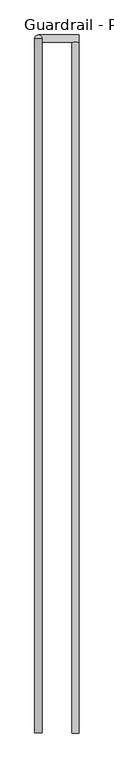
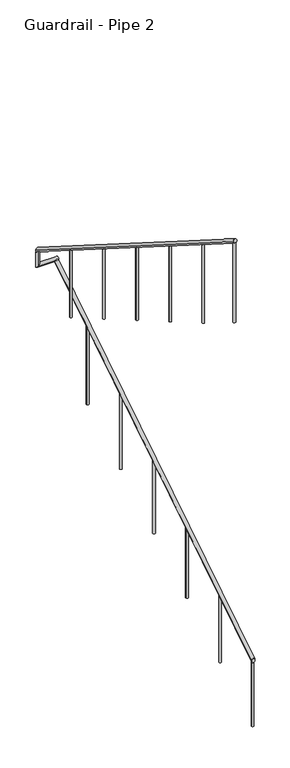
"""IFC4 building model written with IfcOpenShell, lengths in millimetres: railing geometry, Guardrail - Pipe 2."""

from ifc_helpers import new_model, si_unit, frame, origin, place, context, project, spatial, circle_curve, ellipse_curve, source, transform, mapped, element, save
from ifc_brep_helpers import plane_surface, cylinder_surface, advanced_brep


def guardrail_pipe_2_e3fb63a2(model_context):
    return source(origin(), model_context, "Body", "AdvancedBrep", [
        advanced_brep(
        [(307192.9957983, -254508.8080223, 916.3134838), (307154.8957983, -254508.8080223, 916.3134838), (307192.9957983, -250895.6580223, 3203.4252683), (307154.8957983, -250895.6580223, 3203.4252683)],
        [
            (0, 1, ellipse_curve(frame((307173.9457983, -254508.8080223, 916.3134838), z_axis=(0.0, -1.0, 0.0), x_axis=(0.0, 0.0, -1.0)), 22.5457755, 19.05)),
            (1, 0, ellipse_curve(frame((307173.9457983, -254508.8080223, 916.3134838), z_axis=(0.0, -1.0, 0.0), x_axis=(0.0, 0.0, -1.0)), 22.5457755, 19.05)),
            (2, 3, ellipse_curve(frame((307173.9457983, -250895.6580223, 3203.4252683), z_axis=(0.0, 1.0, 0.0), x_axis=(0.0, 0.0, -1.0)), 22.5457755, 19.05)),
            (3, 2, ellipse_curve(frame((307173.9457983, -250895.6580223, 3203.4252683), z_axis=(0.0, 1.0, 0.0), x_axis=(0.0, 0.0, -1.0)), 22.5457755, 19.05)),
            (0, 2),
            (3, 1),
        ],
        [
            plane_surface(frame((307173.9457983, -254508.8080223, 938.8592593), z_axis=(0.0, -1.0, 0.0), x_axis=(0.0, 0.0, 1.0))),
            plane_surface(frame((307173.9457983, -250895.6580223, 3225.9710438), z_axis=(0.0, 1.0, 0.0), x_axis=(0.0, 0.0, 1.0))),
            cylinder_surface(frame((307173.9457983, -254498.6191486, 922.7630065), z_axis=(0.0, -0.8449476488296452, -0.5348490167675869), x_axis=(-1.0, 0.0, 0.0)), 19.05),
        ],
        [
            (0, [[1, 2]]),
            (1, [[3, 4]]),
            (2, [[-1, 5, -4, 6]]),
            (2, [[-2, -6, -3, -5]]),
        ],
    ),
        advanced_brep(
        [(307192.9957983, -250857.5580223, 3218.9796296), (307192.9957983, -250895.6580223, 3218.9796296), (306979.4254676, -250857.5580223, 3218.9796296), (306979.4254676, -250895.6580223, 3218.9796296), (306979.4254676, -250857.5580223, 3357.738752), (306979.4254676, -250895.6580223, 3381.8559237)],
        [
            (0, 1, circle_curve(frame((307192.9957983, -250876.6080223, 3218.9796296), z_axis=(1.0, 0.0, 0.0), x_axis=(0.0, -1.0, 0.0)), 19.05)),
            (1, 0, circle_curve(frame((307192.9957983, -250876.6080223, 3218.9796296), z_axis=(1.0, 0.0, 0.0), x_axis=(0.0, -1.0, 0.0)), 19.05)),
            (0, 2),
            (2, 3, ellipse_curve(frame((306979.4254676, -250876.6080223, 3218.9796296), z_axis=(0.7071067811865475, 0.0, -0.7071067811865475), x_axis=(0.7071067811865476, 0.0, 0.7071067811865474)), 26.9407684, 19.05)),
            (3, 1),
            (3, 2, ellipse_curve(frame((306979.4254676, -250876.6080223, 3218.9796296), z_axis=(0.7071067811865475, 0.0, -0.7071067811865475), x_axis=(0.7071067811865476, 0.0, 0.7071067811865474)), 26.9407684, 19.05)),
            (4, 5, ellipse_curve(frame((306979.4254676, -250876.6080223, 3369.7973379), z_axis=(0.0, 0.5348490167675869, 0.8449476488296452), x_axis=(0.0, 0.8449476488296452, -0.5348490167675869)), 22.5457755, 19.05)),
            (5, 4, ellipse_curve(frame((306979.4254676, -250876.6080223, 3369.7973379), z_axis=(0.0, 0.5348490167675869, 0.8449476488296452), x_axis=(0.0, 0.8449476488296452, -0.5348490167675869)), 22.5457755, 19.05)),
            (2, 4),
            (5, 3),
        ],
        [
            plane_surface(frame((307192.9957983, -250876.6080223, 3238.0296296), z_axis=(1.0, 0.0, 0.0), x_axis=(0.0, -1.0, 0.0))),
            cylinder_surface(frame((307192.9957983, -250876.6080223, 3218.9796296), z_axis=(1.0, 0.0, 0.0), x_axis=(0.0, -1.0, 0.0)), 19.05),
            plane_surface(frame((306998.4754676, -250876.6080223, 3369.7973379), z_axis=(0.0, 0.5348490167675869, 0.8449476488296452), x_axis=(1.0, 0.0, 0.0))),
            cylinder_surface(frame((306979.4254676, -250876.6080223, 3238.0296296), z_axis=(0.0, 0.0, -1.0), x_axis=(0.0, -1.0, 0.0)), 19.05),
        ],
        [
            (0, [[1, 2]]),
            (1, [[-1, 3, 4, 5]]),
            (1, [[-2, -5, 6, -3]]),
            (2, [[7, 8]]),
            (3, [[-4, 9, -8, 10]]),
            (3, [[-6, -10, -7, -9]]),
        ],
    ),
        advanced_brep(
        [(306960.3754676, -250876.6080223, 3392.3431134), (306998.4754676, -250876.6080223, 3392.3431134), (306960.3754676, -254508.8080223, 5691.5134838), (306998.4754676, -254508.8080223, 5691.5134838)],
        [
            (0, 1, ellipse_curve(frame((306979.4254676, -250876.6080223, 3392.3431134), z_axis=(0.0, 1.0, 0.0), x_axis=(0.0, 0.0, -1.0)), 22.5457755, 19.05)),
            (1, 0, ellipse_curve(frame((306979.4254676, -250876.6080223, 3392.3431134), z_axis=(0.0, 1.0, 0.0), x_axis=(0.0, 0.0, -1.0)), 22.5457755, 19.05)),
            (2, 3, ellipse_curve(frame((306979.4254676, -254508.8080223, 5691.5134838), z_axis=(0.0, -1.0, 0.0), x_axis=(0.0, 0.0, -1.0)), 22.5457755, 19.05)),
            (3, 2, ellipse_curve(frame((306979.4254676, -254508.8080223, 5691.5134838), z_axis=(0.0, -1.0, 0.0), x_axis=(0.0, 0.0, -1.0)), 22.5457755, 19.05)),
            (0, 2),
            (3, 1),
        ],
        [
            plane_surface(frame((306979.4254676, -250876.6080223, 3414.8888889), z_axis=(0.0, 1.0, 0.0), x_axis=(0.0, 0.0, -1.0))),
            plane_surface(frame((306979.4254676, -254508.8080223, 5714.0592593), z_axis=(0.0, -1.0, 0.0), x_axis=(0.0, 0.0, -1.0))),
            cylinder_surface(frame((306979.4254676, -250886.7968961, 3398.7926362), z_axis=(0.0, 0.8449476488296452, -0.5348490167675869), x_axis=(1.0, 0.0, 0.0)), 19.05),
        ],
        [
            (0, [[1, 2]]),
            (1, [[3, 4]]),
            (2, [[-1, 5, -4, 6]]),
            (2, [[-2, -6, -3, -5]]),
        ],
    ),
        advanced_brep(
        [(306992.1254676, -253924.6080223, 5299.1710753), (306966.7254676, -253924.6080223, 5299.1710753), (306966.7254676, -253924.6080223, 4421.4814815), (306992.1254676, -253924.6080223, 4421.4814815)],
        [
            (0, 1, ellipse_curve(frame((306979.4254676, -253924.6080223, 5299.1710753), z_axis=(0.0, -0.5348490167675843, -0.8449476488296469), x_axis=(0.0, -0.8449476488296469, 0.5348490167675843)), 15.030517, 12.7)),
            (1, 2),
            (2, 3, circle_curve(frame((306979.4254676, -253924.6080223, 4421.4814815), z_axis=(0.0, 0.0, 1.0), x_axis=(-1.0, 0.0, 0.0)), 12.7)),
            (3, 0),
            (3, 2, circle_curve(frame((306979.4254676, -253924.6080223, 4421.4814815), z_axis=(0.0, 0.0, 1.0), x_axis=(-1.0, 0.0, 0.0)), 12.7)),
            (1, 0, ellipse_curve(frame((306979.4254676, -253924.6080223, 5299.1710753), z_axis=(0.0, -0.5348490167675843, -0.8449476488296469), x_axis=(0.0, -0.8449476488296469, 0.5348490167675843)), 15.030517, 12.7)),
        ],
        [
            cylinder_surface(frame((306979.4254676, -253924.6080223, 4192.8814815), z_axis=(0.0, 0.0, 1.0), x_axis=(-1.0, 0.0, 0.0)), 12.7),
            plane_surface(frame((306954.0254676, -253950.0080223, 5315.2491897), z_axis=(0.0, 0.5348490167675843, 0.8449476488296469), x_axis=(1.0, 0.0, 0.0))),
            plane_surface(frame((306954.0254676, -253899.2080223, 4421.4814815), z_axis=(0.0, 0.0, -1.0), x_axis=(1.0, 0.0, 0.0))),
        ],
        [
            (0, [[1, 2, 3, 4]]),
            (0, [[5, -2, 6, -4]]),
            (1, [[-6, -1]]),
            (2, [[-5, -3]]),
        ],
    ),
        advanced_brep(
        [(306992.1254676, -253315.0080223, 4913.2963278), (306966.7254676, -253315.0080223, 4913.2963278), (306966.7254676, -253315.0080223, 4067.762963), (306992.1254676, -253315.0080223, 4067.762963)],
        [
            (0, 1, ellipse_curve(frame((306979.4254676, -253315.0080223, 4913.2963278), z_axis=(0.0, -0.534849016767586, -0.8449476488296459), x_axis=(0.0, -0.8449476488296459, 0.5348490167675857)), 15.030517, 12.7)),
            (1, 2),
            (2, 3, circle_curve(frame((306979.4254676, -253315.0080223, 4067.762963), z_axis=(0.0, 0.0, 1.0), x_axis=(-1.0, 0.0, 0.0)), 12.7)),
            (3, 0),
            (3, 2, circle_curve(frame((306979.4254676, -253315.0080223, 4067.762963), z_axis=(0.0, 0.0, 1.0), x_axis=(-1.0, 0.0, 0.0)), 12.7)),
            (1, 0, ellipse_curve(frame((306979.4254676, -253315.0080223, 4913.2963278), z_axis=(0.0, -0.534849016767586, -0.8449476488296459), x_axis=(0.0, -0.8449476488296459, 0.5348490167675857)), 15.030517, 12.7)),
        ],
        [
            cylinder_surface(frame((306979.4254676, -253315.0080223, 3839.162963), z_axis=(0.0, 0.0, 1.0), x_axis=(-1.0, 0.0, 0.0)), 12.7),
            plane_surface(frame((306954.0254676, -253340.4080223, 4929.3744423), z_axis=(0.0, 0.534849016767586, 0.8449476488296459), x_axis=(1.0, 0.0, 0.0))),
            plane_surface(frame((306954.0254676, -253289.6080223, 4067.762963), z_axis=(0.0, 0.0, -1.0), x_axis=(1.0, 0.0, 0.0))),
        ],
        [
            (0, [[1, 2, 3, 4]]),
            (0, [[5, -2, 6, -4]]),
            (1, [[-6, -1]]),
            (2, [[-5, -3]]),
        ],
    ),
        advanced_brep(
        [(306992.1254676, -252705.4080223, 4527.4215803), (306966.7254676, -252705.4080223, 4527.4215803), (306966.7254676, -252705.4080223, 3714.0444444), (306992.1254676, -252705.4080223, 3714.0444444)],
        [
            (0, 1, ellipse_curve(frame((306979.4254676, -252705.4080223, 4527.4215803), z_axis=(0.0, -0.5348490167675828, -0.844947648829648), x_axis=(0.0, -0.8449476488296481, 0.5348490167675825)), 15.030517, 12.7)),
            (1, 2),
            (2, 3, circle_curve(frame((306979.4254676, -252705.4080223, 3714.0444444), z_axis=(0.0, 0.0, 1.0), x_axis=(-1.0, 0.0, 0.0)), 12.7)),
            (3, 0),
            (3, 2, circle_curve(frame((306979.4254676, -252705.4080223, 3714.0444444), z_axis=(0.0, 0.0, 1.0), x_axis=(-1.0, 0.0, 0.0)), 12.7)),
            (1, 0, ellipse_curve(frame((306979.4254676, -252705.4080223, 4527.4215803), z_axis=(0.0, -0.5348490167675828, -0.844947648829648), x_axis=(0.0, -0.8449476488296481, 0.5348490167675825)), 15.030517, 12.7)),
        ],
        [
            cylinder_surface(frame((306979.4254676, -252705.4080223, 3485.4444444), z_axis=(0.0, 0.0, 1.0), x_axis=(-1.0, 0.0, 0.0)), 12.7),
            plane_surface(frame((306954.0254676, -252730.8080223, 4543.4996948), z_axis=(0.0, 0.5348490167675828, 0.844947648829648), x_axis=(1.0, 0.0, 0.0))),
            plane_surface(frame((306954.0254676, -252680.0080223, 3714.0444444), z_axis=(0.0, 0.0, -1.0), x_axis=(1.0, 0.0, 0.0))),
        ],
        [
            (0, [[1, 2, 3, 4]]),
            (0, [[5, -2, 6, -4]]),
            (1, [[-6, -1]]),
            (2, [[-5, -3]]),
        ],
    ),
        advanced_brep(
        [(306992.1254676, -252095.8080223, 4141.5468328), (306966.7254676, -252095.8080223, 4141.5468328), (306966.7254676, -252095.8080223, 3360.3259259), (306992.1254676, -252095.8080223, 3360.3259259)],
        [
            (0, 1, ellipse_curve(frame((306979.4254676, -252095.8080223, 4141.5468328), z_axis=(0.0, -0.5348490167675843, -0.8449476488296469), x_axis=(0.0, -0.8449476488296469, 0.5348490167675843)), 15.030517, 12.7)),
            (1, 2),
            (2, 3, circle_curve(frame((306979.4254676, -252095.8080223, 3360.3259259), z_axis=(0.0, 0.0, 1.0), x_axis=(-1.0, 0.0, 0.0)), 12.7)),
            (3, 0),
            (3, 2, circle_curve(frame((306979.4254676, -252095.8080223, 3360.3259259), z_axis=(0.0, 0.0, 1.0), x_axis=(-1.0, 0.0, 0.0)), 12.7)),
            (1, 0, ellipse_curve(frame((306979.4254676, -252095.8080223, 4141.5468328), z_axis=(0.0, -0.5348490167675843, -0.8449476488296469), x_axis=(0.0, -0.8449476488296469, 0.5348490167675843)), 15.030517, 12.7)),
        ],
        [
            cylinder_surface(frame((306979.4254676, -252095.8080223, 3131.7259259), z_axis=(0.0, 0.0, 1.0), x_axis=(-1.0, 0.0, 0.0)), 12.7),
            plane_surface(frame((306954.0254676, -252121.2080223, 4157.6249473), z_axis=(0.0, 0.5348490167675843, 0.8449476488296469), x_axis=(1.0, 0.0, 0.0))),
            plane_surface(frame((306954.0254676, -252070.4080223, 3360.3259259), z_axis=(0.0, 0.0, -1.0), x_axis=(1.0, 0.0, 0.0))),
        ],
        [
            (0, [[1, 2, 3, 4]]),
            (0, [[5, -2, 6, -4]]),
            (1, [[-6, -1]]),
            (2, [[-5, -3]]),
        ],
    ),
        advanced_brep(
        [(306992.1254676, -251486.2080223, 3755.6720854), (306966.7254676, -251486.2080223, 3755.6720854), (306966.7254676, -251486.2080223, 3006.6074074), (306992.1254676, -251486.2080223, 3006.6074074)],
        [
            (0, 1, ellipse_curve(frame((306979.4254676, -251486.2080223, 3755.6720854), z_axis=(0.0, -0.534849016767586, -0.8449476488296459), x_axis=(0.0, -0.8449476488296459, 0.5348490167675857)), 15.030517, 12.7)),
            (1, 2),
            (2, 3, circle_curve(frame((306979.4254676, -251486.2080223, 3006.6074074), z_axis=(0.0, 0.0, 1.0), x_axis=(-1.0, 0.0, 0.0)), 12.7)),
            (3, 0),
            (3, 2, circle_curve(frame((306979.4254676, -251486.2080223, 3006.6074074), z_axis=(0.0, 0.0, 1.0), x_axis=(-1.0, 0.0, 0.0)), 12.7)),
            (1, 0, ellipse_curve(frame((306979.4254676, -251486.2080223, 3755.6720854), z_axis=(0.0, -0.534849016767586, -0.8449476488296459), x_axis=(0.0, -0.8449476488296459, 0.5348490167675857)), 15.030517, 12.7)),
        ],
        [
            cylinder_surface(frame((306979.4254676, -251486.2080223, 2778.0074074), z_axis=(0.0, 0.0, 1.0), x_axis=(-1.0, 0.0, 0.0)), 12.7),
            plane_surface(frame((306954.0254676, -251511.6080223, 3771.7501998), z_axis=(0.0, 0.534849016767586, 0.8449476488296459), x_axis=(1.0, 0.0, 0.0))),
            plane_surface(frame((306954.0254676, -251460.8080223, 3006.6074074), z_axis=(0.0, 0.0, -1.0), x_axis=(1.0, 0.0, 0.0))),
        ],
        [
            (0, [[1, 2, 3, 4]]),
            (0, [[5, -2, 6, -4]]),
            (1, [[-6, -1]]),
            (2, [[-5, -3]]),
        ],
    ),
        advanced_brep(
        [(307161.2457983, -251460.8080223, 2823.1414456), (307186.6457983, -251460.8080223, 2823.1414456), (307186.6457983, -251460.8080223, 1945.4518519), (307161.2457983, -251460.8080223, 1945.4518519)],
        [
            (0, 1, ellipse_curve(frame((307173.9457983, -251460.8080223, 2823.1414456), z_axis=(0.0, 0.5348490167675843, -0.8449476488296469), x_axis=(0.0, 0.8449476488296469, 0.5348490167675843)), 15.030517, 12.7)),
            (1, 2),
            (2, 3, circle_curve(frame((307173.9457983, -251460.8080223, 1945.4518519), z_axis=(0.0, 0.0, 1.0), x_axis=(1.0, 0.0, 0.0)), 12.7)),
            (3, 0),
            (3, 2, circle_curve(frame((307173.9457983, -251460.8080223, 1945.4518519), z_axis=(0.0, 0.0, 1.0), x_axis=(1.0, 0.0, 0.0)), 12.7)),
            (1, 0, ellipse_curve(frame((307173.9457983, -251460.8080223, 2823.1414456), z_axis=(0.0, 0.5348490167675843, -0.8449476488296469), x_axis=(0.0, 0.8449476488296469, 0.5348490167675843)), 15.030517, 12.7)),
        ],
        [
            cylinder_surface(frame((307173.9457983, -251460.8080223, 1716.8518519), z_axis=(0.0, 0.0, 1.0), x_axis=(1.0, 0.0, 0.0)), 12.7),
            plane_surface(frame((307199.3457983, -251435.4080223, 2839.2195601), z_axis=(0.0, -0.5348490167675843, 0.8449476488296469), x_axis=(-1.0, 0.0, 0.0))),
            plane_surface(frame((307199.3457983, -251486.2080223, 1945.4518519), z_axis=(0.0, 0.0, -1.0), x_axis=(-1.0, 0.0, 0.0))),
        ],
        [
            (0, [[1, 2, 3, 4]]),
            (0, [[5, -2, 6, -4]]),
            (1, [[-6, -1]]),
            (2, [[-5, -3]]),
        ],
    ),
        advanced_brep(
        [(307161.2457983, -252070.4080223, 2437.2666982), (307186.6457983, -252070.4080223, 2437.2666982), (307186.6457983, -252070.4080223, 1591.7333333), (307161.2457983, -252070.4080223, 1591.7333333)],
        [
            (0, 1, ellipse_curve(frame((307173.9457983, -252070.4080223, 2437.2666982), z_axis=(0.0, 0.534849016767586, -0.8449476488296459), x_axis=(0.0, 0.8449476488296459, 0.5348490167675857)), 15.030517, 12.7)),
            (1, 2),
            (2, 3, circle_curve(frame((307173.9457983, -252070.4080223, 1591.7333333), z_axis=(0.0, 0.0, 1.0), x_axis=(1.0, 0.0, 0.0)), 12.7)),
            (3, 0),
            (3, 2, circle_curve(frame((307173.9457983, -252070.4080223, 1591.7333333), z_axis=(0.0, 0.0, 1.0), x_axis=(1.0, 0.0, 0.0)), 12.7)),
            (1, 0, ellipse_curve(frame((307173.9457983, -252070.4080223, 2437.2666982), z_axis=(0.0, 0.534849016767586, -0.8449476488296459), x_axis=(0.0, 0.8449476488296459, 0.5348490167675857)), 15.030517, 12.7)),
        ],
        [
            cylinder_surface(frame((307173.9457983, -252070.4080223, 1363.1333333), z_axis=(0.0, 0.0, 1.0), x_axis=(1.0, 0.0, 0.0)), 12.7),
            plane_surface(frame((307199.3457983, -252045.0080223, 2453.3448126), z_axis=(0.0, -0.534849016767586, 0.8449476488296459), x_axis=(-1.0, 0.0, 0.0))),
            plane_surface(frame((307199.3457983, -252095.8080223, 1591.7333333), z_axis=(0.0, 0.0, -1.0), x_axis=(-1.0, 0.0, 0.0))),
        ],
        [
            (0, [[1, 2, 3, 4]]),
            (0, [[5, -2, 6, -4]]),
            (1, [[-6, -1]]),
            (2, [[-5, -3]]),
        ],
    ),
        advanced_brep(
        [(307161.2457983, -252680.0080223, 2051.3919507), (307186.6457983, -252680.0080223, 2051.3919507), (307186.6457983, -252680.0080223, 1238.0148148), (307161.2457983, -252680.0080223, 1238.0148148)],
        [
            (0, 1, ellipse_curve(frame((307173.9457983, -252680.0080223, 2051.3919507), z_axis=(0.0, 0.5348490167675828, -0.844947648829648), x_axis=(0.0, 0.8449476488296481, 0.5348490167675825)), 15.030517, 12.7)),
            (1, 2),
            (2, 3, circle_curve(frame((307173.9457983, -252680.0080223, 1238.0148148), z_axis=(0.0, 0.0, 1.0), x_axis=(1.0, 0.0, 0.0)), 12.7)),
            (3, 0),
            (3, 2, circle_curve(frame((307173.9457983, -252680.0080223, 1238.0148148), z_axis=(0.0, 0.0, 1.0), x_axis=(1.0, 0.0, 0.0)), 12.7)),
            (1, 0, ellipse_curve(frame((307173.9457983, -252680.0080223, 2051.3919507), z_axis=(0.0, 0.5348490167675828, -0.844947648829648), x_axis=(0.0, 0.8449476488296481, 0.5348490167675825)), 15.030517, 12.7)),
        ],
        [
            cylinder_surface(frame((307173.9457983, -252680.0080223, 1009.4148148), z_axis=(0.0, 0.0, 1.0), x_axis=(1.0, 0.0, 0.0)), 12.7),
            plane_surface(frame((307199.3457983, -252654.6080223, 2067.4700652), z_axis=(0.0, -0.5348490167675828, 0.844947648829648), x_axis=(-1.0, 0.0, 0.0))),
            plane_surface(frame((307199.3457983, -252705.4080223, 1238.0148148), z_axis=(0.0, 0.0, -1.0), x_axis=(-1.0, 0.0, 0.0))),
        ],
        [
            (0, [[1, 2, 3, 4]]),
            (0, [[5, -2, 6, -4]]),
            (1, [[-6, -1]]),
            (2, [[-5, -3]]),
        ],
    ),
        advanced_brep(
        [(307161.2457983, -253289.6080223, 1665.5172032), (307186.6457983, -253289.6080223, 1665.5172032), (307186.6457983, -253289.6080223, 884.2962963), (307161.2457983, -253289.6080223, 884.2962963)],
        [
            (0, 1, ellipse_curve(frame((307173.9457983, -253289.6080223, 1665.5172032), z_axis=(0.0, 0.5348490167675843, -0.8449476488296469), x_axis=(0.0, 0.8449476488296469, 0.5348490167675843)), 15.030517, 12.7)),
            (1, 2),
            (2, 3, circle_curve(frame((307173.9457983, -253289.6080223, 884.2962963), z_axis=(0.0, 0.0, 1.0), x_axis=(1.0, 0.0, 0.0)), 12.7)),
            (3, 0),
            (3, 2, circle_curve(frame((307173.9457983, -253289.6080223, 884.2962963), z_axis=(0.0, 0.0, 1.0), x_axis=(1.0, 0.0, 0.0)), 12.7)),
            (1, 0, ellipse_curve(frame((307173.9457983, -253289.6080223, 1665.5172032), z_axis=(0.0, 0.5348490167675843, -0.8449476488296469), x_axis=(0.0, 0.8449476488296469, 0.5348490167675843)), 15.030517, 12.7)),
        ],
        [
            cylinder_surface(frame((307173.9457983, -253289.6080223, 655.6962963), z_axis=(0.0, 0.0, 1.0), x_axis=(1.0, 0.0, 0.0)), 12.7),
            plane_surface(frame((307199.3457983, -253264.2080223, 1681.5953177), z_axis=(0.0, -0.5348490167675843, 0.8449476488296469), x_axis=(-1.0, 0.0, 0.0))),
            plane_surface(frame((307199.3457983, -253315.0080223, 884.2962963), z_axis=(0.0, 0.0, -1.0), x_axis=(-1.0, 0.0, 0.0))),
        ],
        [
            (0, [[1, 2, 3, 4]]),
            (0, [[5, -2, 6, -4]]),
            (1, [[-6, -1]]),
            (2, [[-5, -3]]),
        ],
    ),
        advanced_brep(
        [(307161.2457983, -253899.2080223, 1279.6424557), (307186.6457983, -253899.2080223, 1279.6424557), (307186.6457983, -253899.2080223, 530.5777778), (307161.2457983, -253899.2080223, 530.5777778)],
        [
            (0, 1, ellipse_curve(frame((307173.9457983, -253899.2080223, 1279.6424557), z_axis=(0.0, 0.534849016767586, -0.8449476488296459), x_axis=(0.0, 0.8449476488296459, 0.5348490167675857)), 15.030517, 12.7)),
            (1, 2),
            (2, 3, circle_curve(frame((307173.9457983, -253899.2080223, 530.5777778), z_axis=(0.0, 0.0, 1.0), x_axis=(1.0, 0.0, 0.0)), 12.7)),
            (3, 0),
            (3, 2, circle_curve(frame((307173.9457983, -253899.2080223, 530.5777778), z_axis=(0.0, 0.0, 1.0), x_axis=(1.0, 0.0, 0.0)), 12.7)),
            (1, 0, ellipse_curve(frame((307173.9457983, -253899.2080223, 1279.6424557), z_axis=(0.0, 0.534849016767586, -0.8449476488296459), x_axis=(0.0, 0.8449476488296459, 0.5348490167675857)), 15.030517, 12.7)),
        ],
        [
            cylinder_surface(frame((307173.9457983, -253899.2080223, 301.9777778), z_axis=(0.0, 0.0, 1.0), x_axis=(1.0, 0.0, 0.0)), 12.7),
            plane_surface(frame((307199.3457983, -253873.8080223, 1295.7205702), z_axis=(0.0, -0.534849016767586, 0.8449476488296459), x_axis=(-1.0, 0.0, 0.0))),
            plane_surface(frame((307199.3457983, -253924.6080223, 530.5777778), z_axis=(0.0, 0.0, -1.0), x_axis=(-1.0, 0.0, 0.0))),
        ],
        [
            (0, [[1, 2, 3, 4]]),
            (0, [[5, -2, 6, -4]]),
            (1, [[-6, -1]]),
            (2, [[-5, -3]]),
        ],
    ),
        advanced_brep(
        [(306992.1254676, -254496.1080223, 5660.928651), (306966.7254676, -254496.1080223, 5660.928651), (306966.7254676, -254496.1080223, 4775.2), (306992.1254676, -254496.1080223, 4775.2)],
        [
            (0, 1, ellipse_curve(frame((306979.4254676, -254496.1080223, 5660.928651), z_axis=(0.0, -0.534849016767586, -0.8449476488296459), x_axis=(0.0, -0.8449476488296459, 0.5348490167675857)), 15.030517, 12.7)),
            (1, 2),
            (2, 3, circle_curve(frame((306979.4254676, -254496.1080223, 4775.2), z_axis=(0.0, 0.0, 1.0), x_axis=(-1.0, 0.0, 0.0)), 12.7)),
            (3, 0),
            (3, 2, circle_curve(frame((306979.4254676, -254496.1080223, 4775.2), z_axis=(0.0, 0.0, 1.0), x_axis=(-1.0, 0.0, 0.0)), 12.7)),
            (1, 0, ellipse_curve(frame((306979.4254676, -254496.1080223, 5660.928651), z_axis=(0.0, -0.534849016767586, -0.8449476488296459), x_axis=(0.0, -0.8449476488296459, 0.5348490167675857)), 15.030517, 12.7)),
        ],
        [
            cylinder_surface(frame((306979.4254676, -254496.1080223, 4546.6), z_axis=(0.0, 0.0, 1.0), x_axis=(-1.0, 0.0, 0.0)), 12.7),
            plane_surface(frame((306954.0254676, -254521.5080223, 5677.0067655), z_axis=(0.0, 0.534849016767586, 0.8449476488296459), x_axis=(1.0, 0.0, 0.0))),
            plane_surface(frame((306954.0254676, -254470.7080223, 4775.2), z_axis=(0.0, 0.0, -1.0), x_axis=(1.0, 0.0, 0.0))),
        ],
        [
            (0, [[1, 2, 3, 4]]),
            (0, [[5, -2, 6, -4]]),
            (1, [[-6, -1]]),
            (2, [[-5, -3]]),
        ],
    ),
        advanced_brep(
        [(307161.2457983, -254496.1080223, 901.8067655), (307186.6457983, -254496.1080223, 901.8067655), (307186.6457983, -254496.1080223, 176.8592593), (307161.2457983, -254496.1080223, 176.8592593)],
        [
            (0, 1, ellipse_curve(frame((307173.9457983, -254496.1080223, 901.8067655), z_axis=(0.0, 0.534849016767586, -0.8449476488296459), x_axis=(0.0, 0.8449476488296459, 0.5348490167675857)), 15.030517, 12.7)),
            (1, 2),
            (2, 3, circle_curve(frame((307173.9457983, -254496.1080223, 176.8592593), z_axis=(0.0, 0.0, 1.0), x_axis=(1.0, 0.0, 0.0)), 12.7)),
            (3, 0),
            (3, 2, circle_curve(frame((307173.9457983, -254496.1080223, 176.8592593), z_axis=(0.0, 0.0, 1.0), x_axis=(1.0, 0.0, 0.0)), 12.7)),
            (1, 0, ellipse_curve(frame((307173.9457983, -254496.1080223, 901.8067655), z_axis=(0.0, 0.534849016767586, -0.8449476488296459), x_axis=(0.0, 0.8449476488296459, 0.5348490167675857)), 15.030517, 12.7)),
        ],
        [
            cylinder_surface(frame((307173.9457983, -254496.1080223, -51.7407407), z_axis=(0.0, 0.0, 1.0), x_axis=(1.0, 0.0, 0.0)), 12.7),
            plane_surface(frame((307199.3457983, -254470.7080223, 917.88488), z_axis=(0.0, -0.534849016767586, 0.8449476488296459), x_axis=(-1.0, 0.0, 0.0))),
            plane_surface(frame((307199.3457983, -254521.5080223, 176.8592593), z_axis=(0.0, 0.0, -1.0), x_axis=(-1.0, 0.0, 0.0))),
        ],
        [
            (0, [[1, 2, 3, 4]]),
            (0, [[5, -2, 6, -4]]),
            (1, [[-6, -1]]),
            (2, [[-5, -3]]),
        ],
    ),
    ])


if __name__ == "__main__":
    model = new_model("IFC4")
    model_context = context("Model", 3, world=origin())
    ifc_project = project(units=[si_unit("LENGTHUNIT", "METRE", prefix="MILLI")], contexts=[model_context])
    site = spatial("IfcSite", under=ifc_project)
    building = spatial("IfcBuilding", under=site)
    placement = place(None, origin())
    guardrail_pipe_2_shape = guardrail_pipe_2_e3fb63a2(model_context)
    element("IfcRailing", 1, ObjectType="Guardrail - Pipe 2", at=placement, inside=building, context=model_context, shape_type="MappedRepresentation", body=[
        mapped(guardrail_pipe_2_shape, transform((0.0, 0.0, 0.0), x_axis=(1.0, 0.0, 0.0), y_axis=(0.0, 1.0, 0.0), z_axis=(0.0, 0.0, 1.0))),
    ])
    save(model, "model.ifc")
